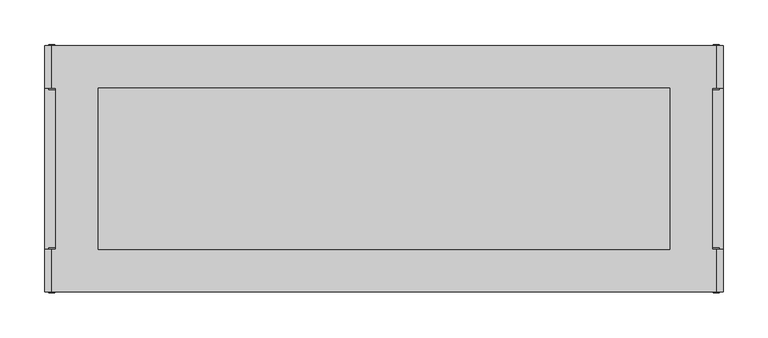
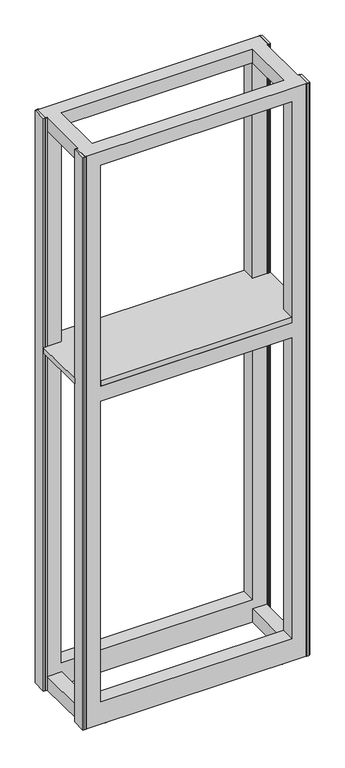
"""IFC4 building model written with IfcOpenShell, lengths in millimetres: furniture geometry."""

from ifc_helpers import new_model, si_unit, frame, origin, place, context, project, spatial, polyline, circle_curve, outline, extrude, faceted_brep, source, transform, mapped, element, save
from ifc_brep_helpers import plane_surface, cylinder_surface, advanced_brep


def furniture_0e1d3aa0(model_context):
    return source(origin(), model_context, "Body", "SolidModel", [
        extrude(outline(polyline([(-438.2352248, -1712.1156691), (-377.9102232, -1712.1156691), (-377.9102232, -1664.3887805), (263.4327537, -1664.3887805), (263.4327537, -1712.1156691), (323.7647752, -1712.1156691), (323.7647752, -1892.9887805), (263.4327537, -1892.9887805), (263.4327537, -1940.7156691), (-377.9102232, -1940.7156691), (-377.9102232, -1892.9887805), (-438.2352248, -1892.9887805), (-438.2352248, -1712.1156691)])), frame((0.0, 0.0, 1209.675), z_axis=(0.0, 0.0, 1.0), x_axis=(1.0, 0.0, 0.0)), (0.0, 0.0, 1.0), 19.05),
        faceted_brep([(-377.9102232, -1716.7762789, 1155.6999758), (-377.9102232, -1716.7762789, 1147.8259651), (-377.9102232, -1717.5700289, 1147.8259651), (-377.9102232, -1717.5700289, 1156.4937258), (-377.9102232, -1712.1156691, 1156.4937258), (-377.9102232, -1712.1156691, 1155.6999758), (-377.9102232, -1888.1243934, 1147.8259651), (-377.9102232, -1888.1243934, 1155.6999758), (-377.9102232, -1892.9887805, 1155.6999758), (-377.9102232, -1892.9887805, 1156.4937258), (-377.9102232, -1887.3306434, 1156.4937258), (-377.9102232, -1887.3306434, 1147.8259651), (263.4327537, -1717.5700289, 1156.4937258), (263.4327537, -1717.5700289, 1147.8259651), (263.4327537, -1716.7762789, 1147.8259651), (263.4327537, -1716.7762789, 1155.6999758), (263.4327537, -1712.1156691, 1155.6999758), (263.4327537, -1712.1156691, 1156.4937258), (263.4327537, -1888.1243934, 1147.8259651), (263.4327537, -1887.3306434, 1147.8259651), (263.4327537, -1887.3306434, 1156.4937258), (263.4327537, -1892.9887805, 1156.4937258), (263.4327537, -1892.9887805, 1155.6999758), (263.4327537, -1888.1243934, 1155.6999758), (263.4327537, -1667.5637805, 1156.4937258), (-377.9102232, -1667.5637805, 1156.4937258), (263.4327537, -1667.5637805, 1208.88125), (-377.9102232, -1667.5637805, 1208.88125), (263.4327537, -1712.1156691, 1208.88125), (-377.9102232, -1712.1156691, 1208.88125), (263.4327537, -1712.1156691, 1209.675), (-377.9102232, -1712.1156691, 1209.675), (-377.9102232, -1712.1156691, 1993.9043361), (-425.535224, -1712.1156691, 1993.9043361), (-425.535224, -1712.1156691, 2041.525), (-430.2977242, -1712.1156691, 2041.525), (-430.2977242, -1712.1156691, 9.525), (315.8272747, -1712.1156691, 9.525), (315.8272747, -1712.1156691, 2041.525), (311.0647745, -1712.1156691, 2041.525), (311.0647745, -1712.1156691, 1993.9043361), (263.4327537, -1712.1156691, 1993.9043361), (263.4327537, -1712.1156691, 88.9000027), (-377.9102232, -1712.1156691, 88.9000027), (263.4327537, -1712.1156691, 2041.525), (-377.9102232, -1712.1156691, 2041.525), (263.4327537, -1664.3887805, 1209.675), (-377.9102232, -1664.3887805, 1209.675), (-430.2977242, -1664.3887805, 9.525), (-430.2977242, -1664.3887805, 2041.525), (315.8272747, -1664.3887805, 2041.525), (315.8272747, -1664.3887805, 9.525), (263.4327537, -1664.3887805, 1993.9043361), (-377.9102232, -1664.3887805, 1993.9043361), (263.4327537, -1664.3887805, 1155.6999758), (-377.9102232, -1664.3887805, 1155.6999758), (-377.9102232, -1664.3887805, 88.9000027), (263.4327537, -1664.3887805, 88.9000027), (263.4327537, -1940.7156691, 1155.6999758), (-377.9102232, -1940.7156691, 1155.6999758), (-430.2977242, -1940.7156691, 2041.525), (-430.2977242, -1940.7156691, 9.525), (315.8272747, -1940.7156691, 9.525), (315.8272747, -1940.7156691, 2041.525), (263.4327537, -1940.7156691, 88.9000027), (-377.9102232, -1940.7156691, 88.9000027), (263.4327537, -1940.7156691, 1209.675), (-377.9102232, -1940.7156691, 1209.675), (-377.9102232, -1940.7156691, 1993.9043361), (263.4327537, -1940.7156691, 1993.9043361), (263.4327537, -1892.9887805, 1209.675), (-377.9102232, -1892.9887805, 1209.675), (263.4327537, -1892.9887805, 1993.9043361), (311.0647745, -1892.9887805, 1993.9043361), (311.0647745, -1892.9887805, 2041.525), (315.8272747, -1892.9887805, 2041.525), (315.8272747, -1892.9887805, 9.525), (-430.2977242, -1892.9887805, 9.525), (-430.2977242, -1892.9887805, 2041.525), (-425.535224, -1892.9887805, 2041.525), (-425.535224, -1892.9887805, 1993.9043361), (-377.9102232, -1892.9887805, 1993.9043361), (263.4327537, -1892.9887805, 1208.88125), (-377.9102232, -1892.9887805, 1208.88125), (-377.9102232, -1892.9887805, 88.9000027), (263.4327537, -1892.9887805, 88.9000027), (-377.9102232, -1892.9887805, 2041.525), (263.4327537, -1892.9887805, 2041.525), (263.4327537, -1937.438782, 1208.88125), (-377.9102232, -1937.438782, 1208.88125), (263.4327537, -1937.438782, 1156.4937258), (-377.9102232, -1937.438782, 1156.4937258)], [[[0, 1, 2, 3, 4, 5]], [[6, 7, 8, 9, 10, 11]], [[12, 13, 14, 15, 16, 17]], [[18, 19, 20, 21, 22, 23]], [[3, 12, 17, 24, 25, 4]], [[25, 24, 26, 27]], [[27, 26, 28, 29]], [[30, 31, 32, 33, 34, 35, 36, 37, 38, 39, 40, 41], [29, 28, 17, 16, 42, 43, 5, 4]], [[32, 41, 44, 45]], [[31, 30, 46, 47]], [[48, 49, 50, 51], [47, 46, 52, 53], [54, 55, 56, 57]], [[55, 54, 16, 15, 0, 5]], [[1, 0, 15, 14]], [[2, 1, 14, 13]], [[3, 2, 13, 12]], [[7, 6, 18, 23]], [[7, 23, 22, 58, 59, 8]], [[60, 61, 62, 63], [59, 58, 64, 65], [66, 67, 68, 69]], [[67, 66, 70, 71]], [[71, 70, 72, 73, 74, 75, 76, 77, 78, 79, 80, 81], [82, 83, 9, 8, 84, 85, 22, 21]], [[72, 81, 86, 87]], [[83, 82, 88, 89]], [[89, 88, 90, 91]], [[91, 90, 21, 20, 10, 9]], [[11, 10, 20, 19]], [[6, 11, 19, 18]], [[49, 35, 34, 79, 78, 60, 63, 75, 74, 39, 38, 50], [45, 44, 87, 86]], [[36, 48, 51, 37]], [[61, 77, 76, 62]], [[29, 4, 25, 27]], [[31, 47, 53, 32]], [[55, 5, 43, 56]], [[35, 49, 48, 36]], [[50, 38, 37, 51]], [[17, 28, 26, 24]], [[46, 30, 41, 52]], [[16, 54, 57, 42]], [[8, 59, 65, 84]], [[67, 71, 81, 68]], [[9, 83, 89, 91]], [[60, 78, 77, 61]], [[75, 63, 62, 76]], [[58, 22, 85, 64]], [[70, 66, 69, 72]], [[82, 21, 90, 88]], [[85, 84, 65, 64]], [[57, 56, 43, 42]], [[41, 32, 53, 52]], [[81, 72, 69, 68]], [[80, 33, 32, 81]], [[72, 41, 40, 73]], [[45, 86, 81, 32]], [[79, 34, 33, 80]], [[39, 74, 73, 40]], [[87, 44, 41, 72]]]),
        faceted_brep([(263.4327537, -1713.6012805, 57.1500023), (263.4327537, -1713.6012805, 9.525), (263.4327537, -1891.4012805, 9.525), (263.4327537, -1891.4012805, 57.1500023), (311.0647745, -1713.6012805, 57.1500023), (311.0647745, -1891.4012805, 57.1500023), (311.0647745, -1891.4012805, 9.525), (311.0647745, -1713.6012805, 9.525)], [[[0, 1, 2, 3]], [[4, 5, 6, 7]], [[1, 0, 4, 7]], [[2, 1, 7, 6]], [[3, 2, 6, 5]], [[0, 3, 5, 4]]]),
        faceted_brep([(-425.535224, -1891.4012805, 57.1500023), (-425.535224, -1713.6012805, 57.1500023), (-425.535224, -1713.6012805, 9.525), (-425.535224, -1891.4012805, 9.525), (-377.9102232, -1891.4012805, 57.1500023), (-377.9102232, -1891.4012805, 9.525), (-377.9102232, -1713.6012805, 9.525), (-377.9102232, -1713.6012805, 57.1500023)], [[[0, 1, 2, 3]], [[4, 5, 6, 7]], [[1, 0, 4, 7]], [[2, 1, 7, 6]], [[3, 2, 6, 5]], [[0, 3, 5, 4]]]),
        extrude(outline(polyline([(-438.2352248, -1664.3887805), (-430.2977242, -1664.3887805), (-430.2977242, -1712.1156691), (-438.2352248, -1712.1156691), (-438.2352248, -1664.3887805)])), frame((0.0, 0.0, 9.525), z_axis=(0.0, 0.0, 1.0), x_axis=(1.0, 0.0, 0.0)), (0.0, 0.0, 1.0), 2032.0),
        extrude(outline(polyline([(323.7647752, -1664.3887805), (323.7647752, -1712.1156691), (315.8272747, -1712.1156691), (315.8272747, -1664.3887805), (323.7647752, -1664.3887805)])), frame((0.0, 0.0, 9.525), z_axis=(0.0, 0.0, 1.0), x_axis=(1.0, 0.0, 0.0)), (0.0, 0.0, 1.0), 2032.0),
        extrude(outline(polyline([(-438.2352248, -1940.7156691), (-438.2352248, -1892.9887805), (-430.2977242, -1892.9887805), (-430.2977242, -1940.7156691), (-438.2352248, -1940.7156691)])), frame((0.0, 0.0, 9.525), z_axis=(0.0, 0.0, 1.0), x_axis=(1.0, 0.0, 0.0)), (0.0, 0.0, 1.0), 2032.0),
        extrude(outline(polyline([(323.7647752, -1940.7156691), (315.8272747, -1940.7156691), (315.8272747, -1892.9887805), (323.7647752, -1892.9887805), (323.7647752, -1940.7156691)])), frame((0.0, 0.0, 9.525), z_axis=(0.0, 0.0, 1.0), x_axis=(1.0, 0.0, 0.0)), (0.0, 0.0, 1.0), 2032.0),
        advanced_brep(
        [(231.7465668, -1688.2012805, 31.7500003), (244.4465668, -1688.2012805, 31.7500003), (238.0965668, -1688.2012805, 31.7500003), (231.7465668, -1688.2012805, 4.7625), (244.4465668, -1688.2012805, 4.7625), (225.3965668, -1688.2012805, 4.7625), (250.7965668, -1688.2012805, 4.7625), (225.3965668, -1688.2012805, 0.0), (250.7965668, -1688.2012805, 0.0), (238.0965668, -1688.2012805, 0.0)],
        [
            (0, 1, circle_curve(frame((238.0965668, -1688.2012805, 31.7500003), z_axis=(0.0, 0.0, 1.0), x_axis=(1.0, 0.0, 0.0)), 6.35)),
            (1, 2),
            (2, 0),
            (1, 0, circle_curve(frame((238.0965668, -1688.2012805, 31.7500003), z_axis=(0.0, 0.0, 1.0), x_axis=(1.0, 0.0, 0.0)), 6.35)),
            (3, 4, circle_curve(frame((238.0965668, -1688.2012805, 4.7625), z_axis=(0.0, 0.0, 1.0), x_axis=(1.0, 0.0, 0.0)), 6.35)),
            (4, 1),
            (0, 3),
            (4, 3, circle_curve(frame((238.0965668, -1688.2012805, 4.7625), z_axis=(0.0, 0.0, 1.0), x_axis=(1.0, 0.0, 0.0)), 6.35)),
            (5, 6, circle_curve(frame((238.0965668, -1688.2012805, 4.7625), z_axis=(0.0, 0.0, 1.0), x_axis=(1.0, 0.0, 0.0)), 12.7)),
            (6, 4),
            (3, 5),
            (6, 5, circle_curve(frame((238.0965668, -1688.2012805, 4.7625), z_axis=(0.0, 0.0, 1.0), x_axis=(1.0, 0.0, 0.0)), 12.7)),
            (7, 8, circle_curve(frame((238.0965668, -1688.2012805, 0.0), z_axis=(0.0, 0.0, 1.0), x_axis=(1.0, 0.0, 0.0)), 12.7)),
            (8, 6),
            (5, 7),
            (8, 7, circle_curve(frame((238.0965668, -1688.2012805, 0.0), z_axis=(0.0, 0.0, 1.0), x_axis=(1.0, 0.0, 0.0)), 12.7)),
            (9, 8),
            (7, 9),
        ],
        [
            plane_surface(frame((238.0965668, -1688.2012805, 31.7500003), z_axis=(0.0, 0.0, 1.0), x_axis=(1.0, 0.0, 0.0))),
            cylinder_surface(frame((238.0965668, -1688.2012805, -8.2875395), z_axis=(0.0, 0.0, -1.0), x_axis=(1.0, 0.0, 0.0)), 6.35),
            plane_surface(frame((238.0965668, -1688.2012805, 4.7625), z_axis=(0.0, 0.0, 1.0), x_axis=(1.0, 0.0, 0.0))),
            cylinder_surface(frame((238.0965668, -1688.2012805, -8.2875395), z_axis=(0.0, 0.0, -1.0), x_axis=(1.0, 0.0, 0.0)), 12.7),
            plane_surface(frame((238.0965668, -1688.2012805, 0.0), z_axis=(0.0, 0.0, -1.0), x_axis=(1.0, 0.0, 0.0))),
        ],
        [
            (0, [[1, 2, 3]]),
            (0, [[4, -3, -2]]),
            (1, [[5, 6, -1, 7]]),
            (1, [[8, -7, -4, -6]]),
            (2, [[9, 10, -5, 11]]),
            (2, [[12, -11, -8, -10]]),
            (3, [[13, 14, -9, 15]]),
            (3, [[16, -15, -12, -14]]),
            (4, [[17, -13, 18]]),
            (4, [[-18, -16, -17]]),
        ],
    ),
        advanced_brep(
        [(225.3965668, -1916.8012805, 0.0), (250.7965668, -1916.8012805, 0.0), (250.7965668, -1916.8012805, 4.7625), (225.3965668, -1916.8012805, 4.7625), (238.0965668, -1916.8012805, 0.0), (231.7465668, -1916.8012805, 31.7500003), (244.4465668, -1916.8012805, 31.7500003), (238.0965668, -1916.8012805, 31.7500003), (231.7465668, -1916.8012805, 4.7625), (244.4465668, -1916.8012805, 4.7625)],
        [
            (0, 1, circle_curve(frame((238.0965668, -1916.8012805, 0.0), z_axis=(0.0, 0.0, 1.0), x_axis=(1.0, 0.0, 0.0)), 12.7)),
            (1, 2),
            (2, 3, circle_curve(frame((238.0965668, -1916.8012805, 4.7625), z_axis=(0.0, 0.0, -1.0), x_axis=(1.0, 0.0, 0.0)), 12.7)),
            (3, 0),
            (1, 0, circle_curve(frame((238.0965668, -1916.8012805, 0.0), z_axis=(0.0, 0.0, 1.0), x_axis=(1.0, 0.0, 0.0)), 12.7)),
            (3, 2, circle_curve(frame((238.0965668, -1916.8012805, 4.7625), z_axis=(0.0, 0.0, -1.0), x_axis=(1.0, 0.0, 0.0)), 12.7)),
            (4, 1),
            (0, 4),
            (5, 6, circle_curve(frame((238.0965668, -1916.8012805, 31.7500003), z_axis=(0.0, 0.0, 1.0), x_axis=(1.0, 0.0, 0.0)), 6.35)),
            (6, 7),
            (7, 5),
            (6, 5, circle_curve(frame((238.0965668, -1916.8012805, 31.7500003), z_axis=(0.0, 0.0, 1.0), x_axis=(1.0, 0.0, 0.0)), 6.35)),
            (8, 9, circle_curve(frame((238.0965668, -1916.8012805, 4.7625), z_axis=(0.0, 0.0, 1.0), x_axis=(1.0, 0.0, 0.0)), 6.35)),
            (9, 6),
            (5, 8),
            (9, 8, circle_curve(frame((238.0965668, -1916.8012805, 4.7625), z_axis=(0.0, 0.0, 1.0), x_axis=(1.0, 0.0, 0.0)), 6.35)),
            (2, 9),
            (8, 3),
        ],
        [
            cylinder_surface(frame((238.0965668, -1916.8012805, -12.7), z_axis=(0.0, 0.0, -1.0), x_axis=(1.0, 0.0, 0.0)), 12.7),
            plane_surface(frame((238.0965668, -1916.8012805, 0.0), z_axis=(0.0, 0.0, -1.0), x_axis=(1.0, 0.0, 0.0))),
            plane_surface(frame((238.0965668, -1916.8012805, 31.7500003), z_axis=(0.0, 0.0, 1.0), x_axis=(1.0, 0.0, 0.0))),
            cylinder_surface(frame((238.0965668, -1916.8012805, -12.7), z_axis=(0.0, 0.0, -1.0), x_axis=(1.0, 0.0, 0.0)), 6.35),
            plane_surface(frame((238.0965668, -1916.8012805, 4.7625), z_axis=(0.0, 0.0, 1.0), x_axis=(1.0, 0.0, 0.0))),
        ],
        [
            (0, [[1, 2, 3, 4]]),
            (0, [[5, -4, 6, -2]]),
            (1, [[7, -1, 8]]),
            (1, [[-8, -5, -7]]),
            (2, [[9, 10, 11]]),
            (2, [[12, -11, -10]]),
            (3, [[13, 14, -9, 15]]),
            (3, [[16, -15, -12, -14]]),
            (4, [[-3, 17, -13, 18]]),
            (4, [[-6, -18, -16, -17]]),
        ],
    ),
        advanced_brep(
        [(-365.2670163, -1916.8012805, 0.0), (-339.8670163, -1916.8012805, 0.0), (-339.8670163, -1916.8012805, 4.7625), (-365.2670163, -1916.8012805, 4.7625), (-352.5670163, -1916.8012805, 0.0), (-358.9170163, -1916.8012805, 31.7500003), (-346.2170163, -1916.8012805, 31.7500003), (-352.5670163, -1916.8012805, 31.7500003), (-358.9170163, -1916.8012805, 4.7625), (-346.2170163, -1916.8012805, 4.7625)],
        [
            (0, 1, circle_curve(frame((-352.5670163, -1916.8012805, 0.0), z_axis=(0.0, 0.0, 1.0), x_axis=(1.0, 0.0, 0.0)), 12.7)),
            (1, 2),
            (2, 3, circle_curve(frame((-352.5670163, -1916.8012805, 4.7625), z_axis=(0.0, 0.0, -1.0), x_axis=(1.0, 0.0, 0.0)), 12.7)),
            (3, 0),
            (1, 0, circle_curve(frame((-352.5670163, -1916.8012805, 0.0), z_axis=(0.0, 0.0, 1.0), x_axis=(1.0, 0.0, 0.0)), 12.7)),
            (3, 2, circle_curve(frame((-352.5670163, -1916.8012805, 4.7625), z_axis=(0.0, 0.0, -1.0), x_axis=(1.0, 0.0, 0.0)), 12.7)),
            (4, 1),
            (0, 4),
            (5, 6, circle_curve(frame((-352.5670163, -1916.8012805, 31.7500003), z_axis=(0.0, 0.0, 1.0), x_axis=(1.0, 0.0, 0.0)), 6.35)),
            (6, 7),
            (7, 5),
            (6, 5, circle_curve(frame((-352.5670163, -1916.8012805, 31.7500003), z_axis=(0.0, 0.0, 1.0), x_axis=(1.0, 0.0, 0.0)), 6.35)),
            (8, 9, circle_curve(frame((-352.5670163, -1916.8012805, 4.7625), z_axis=(0.0, 0.0, 1.0), x_axis=(1.0, 0.0, 0.0)), 6.35)),
            (9, 6),
            (5, 8),
            (9, 8, circle_curve(frame((-352.5670163, -1916.8012805, 4.7625), z_axis=(0.0, 0.0, 1.0), x_axis=(1.0, 0.0, 0.0)), 6.35)),
            (2, 9),
            (8, 3),
        ],
        [
            cylinder_surface(frame((-352.5670163, -1916.8012805, -4.6781394), z_axis=(0.0, 0.0, -1.0), x_axis=(1.0, 0.0, 0.0)), 12.7),
            plane_surface(frame((-352.5670163, -1916.8012805, 0.0), z_axis=(0.0, 0.0, -1.0), x_axis=(1.0, 0.0, 0.0))),
            plane_surface(frame((-352.5670163, -1916.8012805, 31.7500003), z_axis=(0.0, 0.0, 1.0), x_axis=(1.0, 0.0, 0.0))),
            cylinder_surface(frame((-352.5670163, -1916.8012805, -4.6781394), z_axis=(0.0, 0.0, -1.0), x_axis=(1.0, 0.0, 0.0)), 6.35),
            plane_surface(frame((-352.5670163, -1916.8012805, 4.7625), z_axis=(0.0, 0.0, 1.0), x_axis=(1.0, 0.0, 0.0))),
        ],
        [
            (0, [[1, 2, 3, 4]]),
            (0, [[5, -4, 6, -2]]),
            (1, [[7, -1, 8]]),
            (1, [[-8, -5, -7]]),
            (2, [[9, 10, 11]]),
            (2, [[12, -11, -10]]),
            (3, [[13, 14, -9, 15]]),
            (3, [[16, -15, -12, -14]]),
            (4, [[-3, 17, -13, 18]]),
            (4, [[-6, -18, -16, -17]]),
        ],
    ),
        advanced_brep(
        [(-365.2670163, -1688.2012805, 0.0), (-339.8670163, -1688.2012805, 0.0), (-339.8670163, -1688.2012805, 4.7625), (-365.2670163, -1688.2012805, 4.7625), (-352.5670163, -1688.2012805, 0.0), (-358.9170163, -1688.2012805, 31.7500003), (-346.2170163, -1688.2012805, 31.7500003), (-352.5670163, -1688.2012805, 31.7500003), (-358.9170163, -1688.2012805, 4.7625), (-346.2170163, -1688.2012805, 4.7625)],
        [
            (0, 1, circle_curve(frame((-352.5670163, -1688.2012805, 0.0), z_axis=(0.0, 0.0, 1.0), x_axis=(1.0, 0.0, 0.0)), 12.7)),
            (1, 2),
            (2, 3, circle_curve(frame((-352.5670163, -1688.2012805, 4.7625), z_axis=(0.0, 0.0, -1.0), x_axis=(1.0, 0.0, 0.0)), 12.7)),
            (3, 0),
            (1, 0, circle_curve(frame((-352.5670163, -1688.2012805, 0.0), z_axis=(0.0, 0.0, 1.0), x_axis=(1.0, 0.0, 0.0)), 12.7)),
            (3, 2, circle_curve(frame((-352.5670163, -1688.2012805, 4.7625), z_axis=(0.0, 0.0, -1.0), x_axis=(1.0, 0.0, 0.0)), 12.7)),
            (4, 1),
            (0, 4),
            (5, 6, circle_curve(frame((-352.5670163, -1688.2012805, 31.7500003), z_axis=(0.0, 0.0, 1.0), x_axis=(1.0, 0.0, 0.0)), 6.35)),
            (6, 7),
            (7, 5),
            (6, 5, circle_curve(frame((-352.5670163, -1688.2012805, 31.7500003), z_axis=(0.0, 0.0, 1.0), x_axis=(1.0, 0.0, 0.0)), 6.35)),
            (8, 9, circle_curve(frame((-352.5670163, -1688.2012805, 4.7625), z_axis=(0.0, 0.0, 1.0), x_axis=(1.0, 0.0, 0.0)), 6.35)),
            (9, 6),
            (5, 8),
            (9, 8, circle_curve(frame((-352.5670163, -1688.2012805, 4.7625), z_axis=(0.0, 0.0, 1.0), x_axis=(1.0, 0.0, 0.0)), 6.35)),
            (2, 9),
            (8, 3),
        ],
        [
            cylinder_surface(frame((-352.5670163, -1688.2012805, -10.8541202), z_axis=(0.0, 0.0, -1.0), x_axis=(1.0, 0.0, 0.0)), 12.7),
            plane_surface(frame((-352.5670163, -1688.2012805, 0.0), z_axis=(0.0, 0.0, -1.0), x_axis=(1.0, 0.0, 0.0))),
            plane_surface(frame((-352.5670163, -1688.2012805, 31.7500003), z_axis=(0.0, 0.0, 1.0), x_axis=(1.0, 0.0, 0.0))),
            cylinder_surface(frame((-352.5670163, -1688.2012805, -10.8541202), z_axis=(0.0, 0.0, -1.0), x_axis=(1.0, 0.0, 0.0)), 6.35),
            plane_surface(frame((-352.5670163, -1688.2012805, 4.7625), z_axis=(0.0, 0.0, 1.0), x_axis=(1.0, 0.0, 0.0))),
        ],
        [
            (0, [[1, 2, 3, 4]]),
            (0, [[5, -4, 6, -2]]),
            (1, [[7, -1, 8]]),
            (1, [[-8, -5, -7]]),
            (2, [[9, 10, 11]]),
            (2, [[12, -11, -10]]),
            (3, [[13, 14, -9, 15]]),
            (3, [[16, -15, -12, -14]]),
            (4, [[-3, 17, -13, 18]]),
            (4, [[-6, -18, -16, -17]]),
        ],
    ),
        extrude(outline(polyline([(319.0057257, -1942.2012805), (312.1730168, -1942.2012805), (310.6874054, -1940.7156691), (319.0057257, -1940.7156691), (319.0057257, -1942.2012805)])), frame((0.0, 0.0, 9.525), z_axis=(0.0, 0.0, 1.0), x_axis=(1.0, 0.0, 0.0)), (0.0, 0.0, 1.0), 2032.0),
        extrude(outline(polyline([(311.0647745, -1664.3887805), (312.1730168, -1662.8012805), (319.0057257, -1662.8012805), (319.0057257, -1664.3887805), (311.0647745, -1664.3887805)])), frame((0.0, 0.0, 9.525), z_axis=(0.0, 0.0, 1.0), x_axis=(1.0, 0.0, 0.0)), (0.0, 0.0, 1.0), 2032.0),
        extrude(outline(polyline([(311.1359035, -1712.1156691), (319.0057257, -1712.1156691), (319.0057257, -1713.6012805), (312.1730168, -1713.6012805), (311.1359035, -1712.1156691)])), frame((0.0, 0.0, 9.525), z_axis=(0.0, 0.0, 1.0), x_axis=(1.0, 0.0, 0.0)), (0.0, 0.0, 1.0), 2032.0),
        extrude(outline(polyline([(319.0057257, -1891.4012805), (319.0057257, -1892.9887805), (310.9887672, -1892.9887805), (312.1730168, -1891.4012805), (319.0057257, -1891.4012805)])), frame((0.0, 0.0, 9.525), z_axis=(0.0, 0.0, 1.0), x_axis=(1.0, 0.0, 0.0)), (0.0, 0.0, 1.0), 2032.0),
        extrude(outline(polyline([(-433.4761752, -1942.2012805), (-433.4761752, -1940.7156691), (-425.535224, -1940.7156691), (-426.6434663, -1942.2012805), (-433.4761752, -1942.2012805)])), frame((0.0, 0.0, 9.525), z_axis=(0.0, 0.0, 1.0), x_axis=(1.0, 0.0, 0.0)), (0.0, 0.0, 1.0), 2032.0),
        extrude(outline(polyline([(-425.535224, -1664.3887805), (-433.4761752, -1664.3887805), (-433.4761752, -1662.8012805), (-426.6434663, -1662.8012805), (-425.535224, -1664.3887805)])), frame((0.0, 0.0, 9.525), z_axis=(0.0, 0.0, 1.0), x_axis=(1.0, 0.0, 0.0)), (0.0, 0.0, 1.0), 2032.0),
        extrude(outline(polyline([(-425.535224, -1712.1156691), (-426.6434663, -1713.6012805), (-433.4761752, -1713.6012805), (-433.4761752, -1712.1156691), (-425.535224, -1712.1156691)])), frame((0.0, 0.0, 9.525), z_axis=(0.0, 0.0, 1.0), x_axis=(1.0, 0.0, 0.0)), (0.0, 0.0, 1.0), 2032.0),
        extrude(outline(polyline([(-433.4761752, -1891.4012805), (-426.6434663, -1891.4012805), (-425.535224, -1892.9887805), (-433.4761752, -1892.9887805), (-433.4761752, -1891.4012805)])), frame((0.0, 0.0, 9.525), z_axis=(0.0, 0.0, 1.0), x_axis=(1.0, 0.0, 0.0)), (0.0, 0.0, 1.0), 2032.0),
    ])


if __name__ == "__main__":
    model = new_model("IFC4")
    model_context = context("Model", 3, world=origin())
    ifc_project = project(units=[si_unit("LENGTHUNIT", "METRE", prefix="MILLI")], contexts=[model_context])
    site = spatial("IfcSite", under=ifc_project)
    building = spatial("IfcBuilding", under=site)
    placement = place(None, origin())
    furniture_shape = furniture_0e1d3aa0(model_context)
    element("IfcFurniture", 1, at=placement, inside=building, context=model_context, shape_type="MappedRepresentation", body=[
        mapped(furniture_shape, transform((0.0, 0.0, 0.0), x_axis=(1.0, 0.0, 0.0), y_axis=(0.0, 1.0, 0.0), z_axis=(0.0, 0.0, 1.0))),
    ])
    save(model, "model.ifc")
